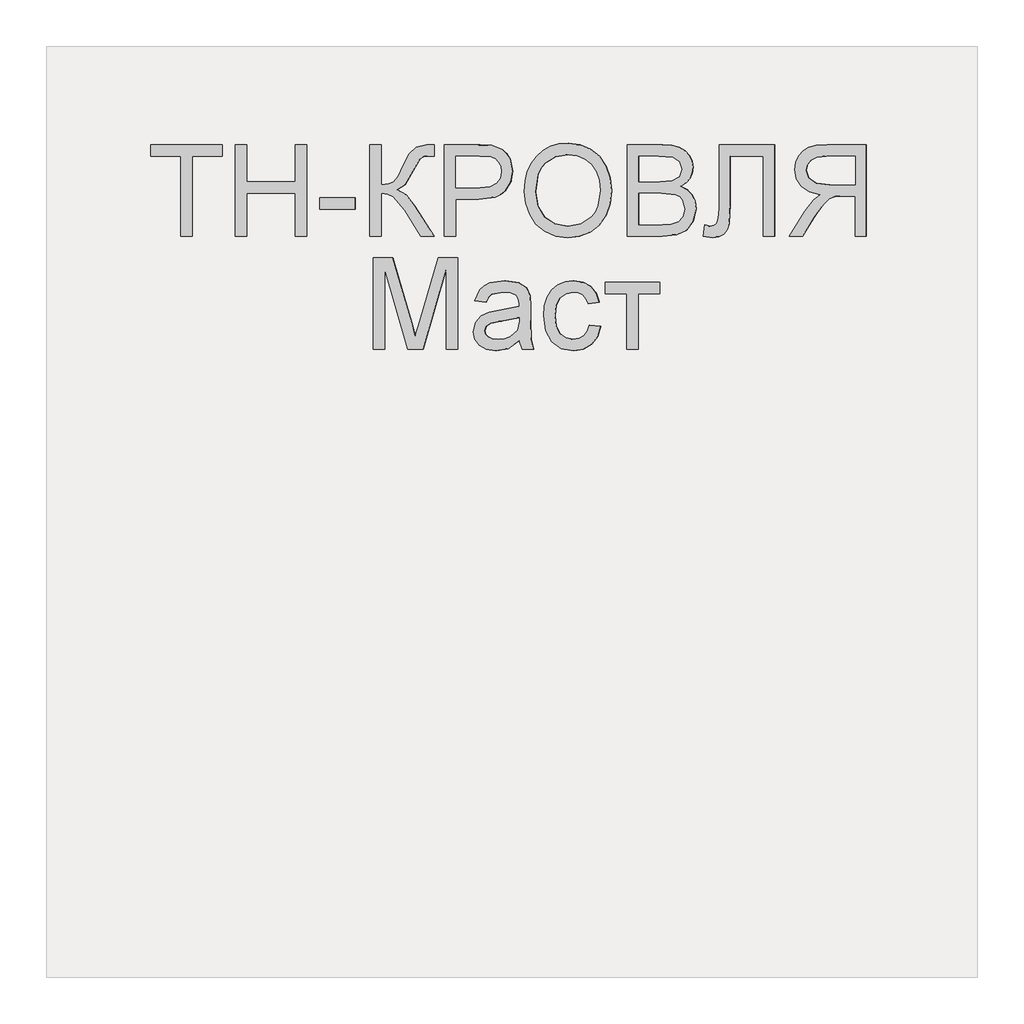
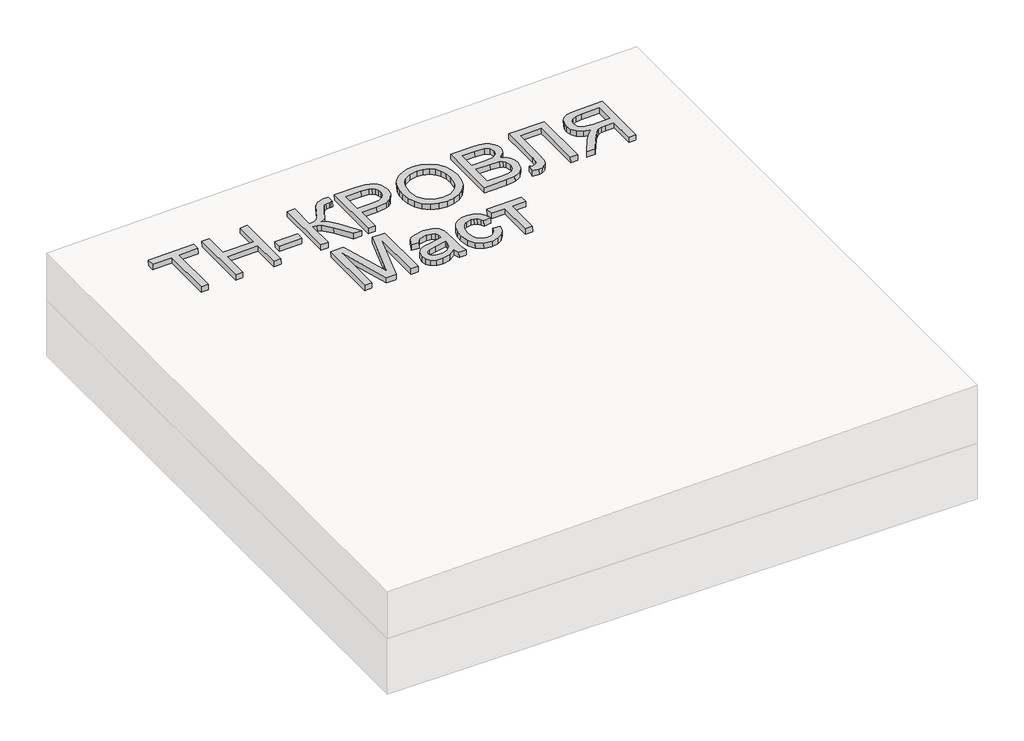
# One storey, part 3 of 3: 1 proxy.
"""IFC4 building model written with IfcOpenShell, lengths in millimetres."""

from ifc_helpers import new_model, si_unit, frame, origin, place, context, project, spatial, polyline, outline, extrude, element, save

model = new_model("IFC4")

# Units and contexts
model_context = context("Model", 3, world=origin())
ifc_project = project(units=[si_unit("LENGTHUNIT", "METRE", prefix="MILLI")], contexts=[model_context])

# Site, building, storey
site = spatial("IfcSite", under=ifc_project)
building = spatial("IfcBuilding", under=site)
storey = spatial("IfcBuildingStorey", under=building, Elevation=0.0)

# Proxy
placement = place(None, origin())
element("IfcBuildingElementProxy", 1, Name="Generic Models", at=placement, inside=storey, context=model_context, shape_type="SweptSolid", body=[
    extrude(outline(polyline([(24.6153846, 0.0), (24.6153846, -172.3076923), (89.2307693, -172.3076923), (89.2307693, -196.9230769), (-64.6153846, -196.9230769), (-64.6153846, -172.3076923), (0.0, -172.3076923), (0.0, 0.0), (24.6153846, 0.0)])), frame((40019.5372619, -4710.2316754, 174.2628333), z_axis=(-0.01999600119956399, 0.0, 0.9998000599800078), x_axis=(-0.9998000599800078, 0.0, -0.01999600119956399)), (0.0, 0.0, 1.0), 20.0),
    extrude(outline(polyline([(24.6153846, 0.0), (24.6153846, -196.9230769), (0.0, -196.9230769), (0.0, -116.9230769), (-104.6153846, -116.9230769), (-104.6153846, -196.9230769), (-129.2307692, -196.9230769), (-129.2307692, 0.0), (-104.6153846, 0.0), (-104.6153846, -92.3076923), (0.0, -92.3076923), (0.0, 0.0), (24.6153846, 0.0)])), frame((40136.4369612, -4710.2316754, 176.6008273), z_axis=(-0.01999600119956399, 0.0, 0.9998000599800078), x_axis=(-0.9998000599800078, 0.0, -0.01999600119956399)), (0.0, 0.0, 1.0), 20.0),
    extrude(outline(polyline([(76.9230769, 0.0), (76.9230769, -24.6153846), (0.0, -24.6153846), (0.0, 0.0), (76.9230769, 0.0)])), frame((40370.2363598, -4651.7701369, 181.2768153), z_axis=(-0.01999600119956399, 0.0, 0.9998000599800079), x_axis=(-0.9998000599800079, 0.0, -0.01999600119956399)), (0.0, 0.0, 1.0), 20.0),
    extrude(outline(polyline([(196.9230769, 0.0), (196.9230769, -24.6153846), (110.7692308, -24.6153846), (112.3978365, -41.2800481), (117.2836538, -52.1394231), (128.7800481, -60.9194711), (150.2403846, -71.3461538), (177.7644231, -84.9278846), (191.3942308, -100.3125), (196.9230769, -122.3076923), (196.6346154, -138.4615385), (172.0192308, -138.4615385), (172.1634615, -133.0288462), (172.3076923, -127.5961539), (170.8293269, -116.3221153), (166.3942308, -108.3653846), (141.0576923, -93.75), (110.1923077, -76.3221153), (100.0, -59.3269231), (88.8701923, -78.329327), (65.6730769, -97.0673077), (0.0, -138.4615385), (0.0, -109.9038462), (55.4807692, -74.9038462), (84.4471154, -50.2644231), (90.3425481, -38.8882211), (92.3076923, -24.6153846), (0.0, -24.6153846), (0.0, 0.0), (196.9230769, 0.0)])), frame((40400.9994386, -4710.2316754, 181.8920769), z_axis=(-0.01999600119956399, 0.0, 0.9998000599800079), x_axis=(0.0, 1.0, 0.0)), (0.0, 0.0, 1.0), 20.0),
    extrude(outline(polyline([(24.6153846, 0.0), (24.6153846, -196.9230769), (-48.3653847, -196.9230769), (-77.7884615, -195.0480769), (-101.7067307, -185.8413461), (-110.4026442, -177.6802885), (-117.2115385, -166.8028846), (-123.0769231, -139.9519231), (-119.1165866, -116.7427885), (-107.235577, -97.4038461), (-97.7208534, -89.7896635), (-85.0180289, -84.3509615), (-50.0480769, -80.0), (0.0, -80.0), (0.0, 0.0), (24.6153846, 0.0)]), holes=[polyline([(0.0, -104.6153846), (-51.4903846, -104.6153846), (-73.3173077, -106.875), (-87.7403846, -113.6538461), (-95.78125, -124.53125), (-98.4615385, -139.0865385), (-96.8810096, -150.1442308), (-92.1394231, -159.4711538), (-84.8257212, -166.4903846), (-75.5288461, -170.625), (-50.9134615, -172.3076923), (0.0, -172.3076923), (0.0, -104.6153846)])]), frame((40585.5779112, -4710.2316754, 185.5836463), z_axis=(-0.01999600119956399, 0.0, 0.9998000599800078), x_axis=(-0.9998000599800078, 0.0, -0.01999600119956399)), (0.0, 0.0, 1.0), 20.0),
    extrude(outline(polyline([(25.3428445, 0.0), (48.1160484, -4.1938573), (67.8912361, -11.3545773), (84.6684074, -21.48216), (98.4475626, -34.5766053), (108.9049086, -49.9093782), (115.7166524, -66.7519434), (118.8827941, -85.1043011), (118.4033337, -104.9664512), (112.3116986, -130.2760814), (100.0658902, -152.2136344), (82.4868293, -169.6009171), (60.3954366, -181.2597367), (34.812491, -187.0380147), (6.7587717, -186.7836729), (-21.0136463, -180.6528553), (-44.9882084, -168.8870737), (-63.9421568, -152.1247694), (-76.6527338, -131.0043835), (-83.1347827, -107.1750808), (-83.4031474, -82.2860261), (-77.165962, -56.5935492), (-64.600884, -34.5586152), (-46.7404789, -17.2511252), (-24.6173127, -5.740981), (0.0, 0.0), (25.3428445, 0.0)]), holes=[polyline([(22.3721769, -24.4366544), (-8.7890431, -25.9094147), (-33.7562618, -37.9787802), (-50.9832576, -58.3865326), (-58.9238091, -84.8744541), (-57.0179297, -112.8610054), (-44.5775814, -136.6179285), (-34.5460353, -146.3414541), (-22.1589797, -153.8699216), (9.6816594, -162.341683), (31.570013, -162.6815636), (50.9840871, -158.5364567), (67.4340475, -150.0149318), (80.43006, -137.2255581), (89.4380632, -121.0520253), (93.9239955, -102.3780231), (92.2935561, -75.5530127), (81.0850249, -51.6494364), (71.4163804, -41.5325654), (58.4080243, -33.6248113), (22.3721769, -24.4366544)])]), frame((40736.052627, -4639.5525889, 188.5931406), z_axis=(-0.01999600119956399, 0.0, 0.9998000599800079), x_axis=(-0.11095588221386113, 0.9938228553011974, -0.0022191176442732025)), (0.0, 0.0, 1.0), 20.0),
    extrude(outline(polyline([(74.5673077, 0.0), (74.5673077, -196.9230769), (-0.5769232, -196.9230769), (-21.2439904, -195.4747596), (-37.3798077, -191.1298077), (-49.7475962, -183.7800481), (-59.110577, -173.3173077), (-65.0060097, -161.0096154), (-66.9711539, -148.125), (-65.3185097, -136.2680288), (-60.360577, -125.1201923), (-52.0612981, -115.3665865), (-40.3846154, -107.6923077), (-54.3329327, -100.4086538), (-64.6394231, -89.3269231), (-71.0036059, -75.1802885), (-73.125, -58.7019231), (-67.3317308, -32.2355769), (-52.9807693, -13.3894231), (-31.5625, -3.3894231), (0.0, 0.0), (74.5673077, 0.0)]), holes=[polyline([(49.951923, -116.9230769), (5.0, -116.9230769), (-21.25, -119.0384615), (-37.0432692, -128.1490385), (-42.3557693, -144.1826923), (-37.4038462, -160.2403846), (-23.2211539, -169.7355769), (8.4134615, -172.3076923), (49.951923, -172.3076923), (49.951923, -116.9230769)]), polyline([(49.951923, -24.6153846), (-0.5288462, -24.6153846), (-18.798077, -25.5769231), (-34.2548077, -30.9375), (-44.4951924, -41.875), (-48.5096154, -58.4615385), (-43.798077, -77.5961538), (-37.626202, -84.5132211), (-28.5336539, -89.0144231), (1.875, -92.3076923), (49.951923, -92.3076923), (49.951923, -24.6153846)])]), frame((41029.2872551, -4710.2316754, 194.4578332), z_axis=(-0.019996001199563986, 0.0, 0.9998000599800078), x_axis=(-0.9998000599800078, 0.0, -0.019996001199563986)), (0.0, 0.0, 1.0), 20.0),
    extrude(outline(polyline([(137.6442308, 0.0), (137.6442308, -120.0), (-59.2788461, -120.0), (-59.2788461, -95.3846153), (113.0288462, -95.3846153), (113.0288462, -24.6153846), (12.548077, -24.6153846), (-32.2836538, -21.7548077), (-44.951923, -17.3257211), (-54.4471153, -9.7596153), (-60.3786057, 0.6009616), (-62.3557692, 13.4134616), (-59.2788461, 33.8461539), (-34.6634615, 30.7692308), (-37.7403846, 18.9903846), (-36.0877403, 10.6670674), (-31.1298076, 4.7355769), (-20.0420673, 1.1838943), (0.0, 0.0), (137.6442308, 0.0)])), frame((41151.6185606, -4650.9528293, 196.9044593), z_axis=(-0.01999600119956399, 0.0, 0.9998000599800079), x_axis=(0.0, 1.0, 0.0)), (0.0, 0.0, 1.0), 20.0),
    extrude(outline(polyline([(24.6153846, -110.7692308), (0.0, -110.7692308), (0.0, -24.6153847), (-29.7115385, -24.6153847), (-43.9903846, -25.4807693), (-55.6971154, -30.1682693), (-68.7019231, -42.9326923), (-87.2115385, -69.9519231), (-112.8365385, -110.7692308), (-141.4423078, -110.7692308), (-108.6057692, -57.4038462), (-88.6538462, -32.0673077), (-74.6634616, -21.5384616), (-98.9122596, -15.0120193), (-115.8894231, -3.2211539), (-125.8954327, 12.8605769), (-129.2307693, 32.2596153), (-127.2175481, 47.8545673), (-121.1778846, 62.0432692), (-111.766827, 73.4855769), (-99.6394231, 80.8413461), (-83.046875, 84.8257211), (-60.2403847, 86.1538461), (24.6153846, 86.1538461), (24.6153846, -110.7692308)]), holes=[polyline([(0.0, 0.0), (0.0, 61.5384615), (-61.2980769, 61.5384615), (-80.7752404, 59.4110577), (-94.2067308, 53.0288461), (-102.0132212, 43.3533653), (-104.6153846, 31.3461538), (-99.1586539, 14.639423), (-83.1971154, 3.4855769), (-55.0961539, 0.0), (0.0, 0.0)])]), frame((41443.8678089, -4599.4624446, 202.7494443), z_axis=(-0.019996001199563986, 0.0, 0.9998000599800078), x_axis=(0.9998000599800078, 0.0, 0.019996001199563986)), (0.0, 0.0, 1.0), 20.0),
    extrude(outline(polyline([(24.6153846, 0.0), (24.6153846, -196.9230769), (-17.7403846, -196.9230769), (-58.0288462, -58.125), (-66.1538462, -29.1346154), (-74.9519231, -60.5288462), (-114.5673077, -196.9230769), (-156.9230769, -196.9230769), (-156.9230769, 0.0), (-132.3076923, 0.0), (-132.3076923, -172.3076923), (-82.8365384, 0.0), (-49.4711539, 0.0), (0.0, -172.3076923), (0.0, 0.0), (24.6153846, 0.0)])), frame((40433.3006713, -4953.3085985, 182.5381015), z_axis=(-0.01999600119956399, 0.0, 0.9998000599800078), x_axis=(-0.9998000599800078, 0.0, -0.01999600119956399)), (0.0, 0.0, 1.0), 20.0),
    extrude(outline(polyline([(19.4601703, 0.0), (11.1819963, 27.9207833), (14.9143961, 54.4732733), (24.1902839, 73.0649574), (37.3011934, 84.6897486), (52.8826325, 89.3590492), (69.5701086, 87.0842617), (86.5521477, 76.4571844), (96.0465823, 60.2429097), (98.2586564, 41.3376585), (95.0355657, 19.9618777), (89.5623928, -23.2153749), (94.7162973, -25.0853756), (105.6740455, -26.9515756), (114.1004512, -24.401229), (122.7587066, -15.3020791), (129.4557417, -0.8361792), (132.8384667, 24.2872046), (128.8153045, 32.9891694), (120.6530554, 40.8663574), (131.3561489, 63.2455532), (150.7935144, 45.5413593), (155.5977439, 34.3745663), (157.376525, 20.7448455), (151.8045309, -11.6304924), (138.2204199, -38.5478606), (122.4698447, -51.0601419), (104.2335367, -52.9377443), (83.4202766, -47.2669291), (54.3668506, -37.5824538), (13.4016719, -25.2450099), (-7.7840681, -23.3522042), (0.0, 0.0), (19.4601703, 0.0)]), holes=[polyline([(66.1645788, -15.5681361), (71.5617354, 24.4924486), (74.4731593, 45.8454244), (71.3488898, 56.9970142), (63.4279923, 63.1847402), (55.9042801, 63.7605636), (48.4755881, 60.4405521), (41.8184615, 53.1258846), (36.6094453, 41.7177399), (33.8253486, 28.7094523), (34.3213549, 16.2294779), (42.7667647, -3.5119526), (59.5967713, -13.2268344), (66.1645788, -15.5681361)])]), frame((40728.6262275, -4953.3085985, 188.4446126), z_axis=(-0.019996001199563993, 0.0, 0.9998000599800079), x_axis=(-0.31616453943106126, 0.9486832980504862, -0.006323290788609782)), (0.0, 0.0, 1.0), 20.0),
    extrude(outline(polyline([(14.2739448, 0.0), (18.5774163, -24.4308156), (-4.3658123, -24.3147239), (-23.9730045, -16.8581344), (-39.1287659, -2.9877766), (-48.7177025, 16.3696196), (-51.7999353, 42.8176798), (-43.9550055, 66.6568586), (-25.3354264, 86.2178676), (3.9062883, 99.8314183), (25.3948449, 104.4802096), (45.1992054, 104.6740483), (62.645194, 100.1110145), (77.0586345, 90.4891882), (88.0614871, 77.0566735), (95.2757119, 61.0615744), (98.5250521, 40.2990925), (94.8035117, 21.753999), (84.4149332, 6.0732076), (67.6631596, -6.0963687), (57.4783634, 16.5234133), (66.4279038, 23.9512854), (71.7390476, 32.8620535), (73.5020103, 42.8810605), (71.8070079, 53.6336491), (64.2193556, 67.9417386), (51.7849492, 77.3240769), (34.3582431, 80.5788393), (11.7936921, 76.5042012), (-9.4649736, 67.1472583), (-22.146962, 54.8097825), (-27.1652793, 40.2921826), (-25.4329315, 24.3948669), (-19.8783046, 12.7682798), (-11.3923719, 4.4463753), (0.0, 0.0), (14.2739448, 0.0)])), frame((40869.0128164, -4914.6427331, 191.2523444), z_axis=(-0.01999600119956399, 0.0, 0.9998000599800079), x_axis=(0.2942340972928861, 0.9557152643484548, 0.005884681945847083)), (0.0, 0.0, 1.0), 20.0),
    extrude(outline(polyline([(24.6153846, 0.0), (24.6153846, -116.9230769), (0.0, -116.9230769), (0.0, -70.7692307), (-120.0, -70.7692307), (-120.0, -46.1538461), (0.0, -46.1538461), (0.0, 0.0), (24.6153846, 0.0)])), frame((40907.0520844, -4833.3085985, 192.0131298), z_axis=(-0.01999600119956399, 0.0, 0.9998000599800079), x_axis=(0.0, 1.0, 0.0)), (0.0, 0.0, 1.0), 20.0),
])

save(model, "model.ifc")
